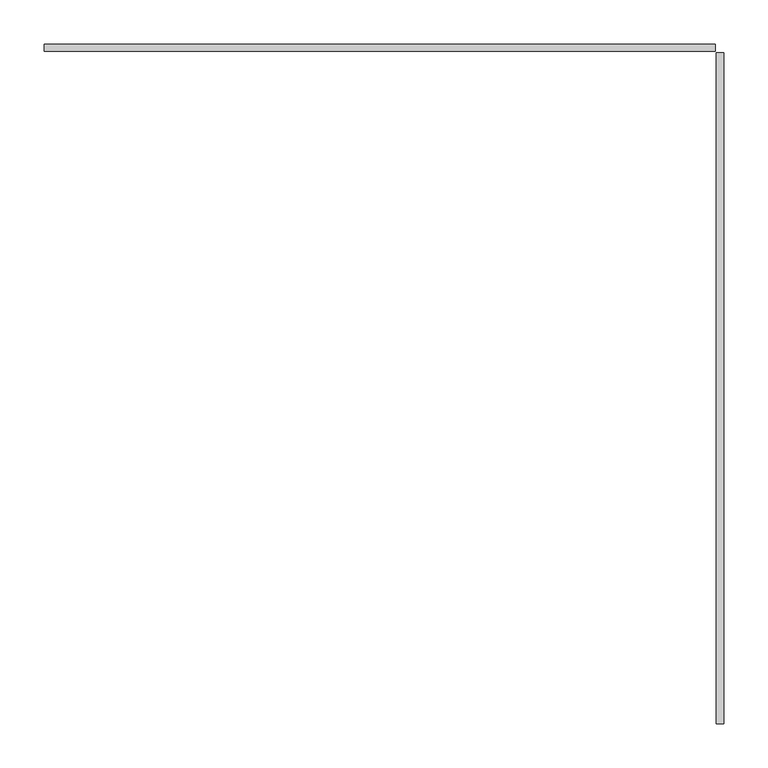
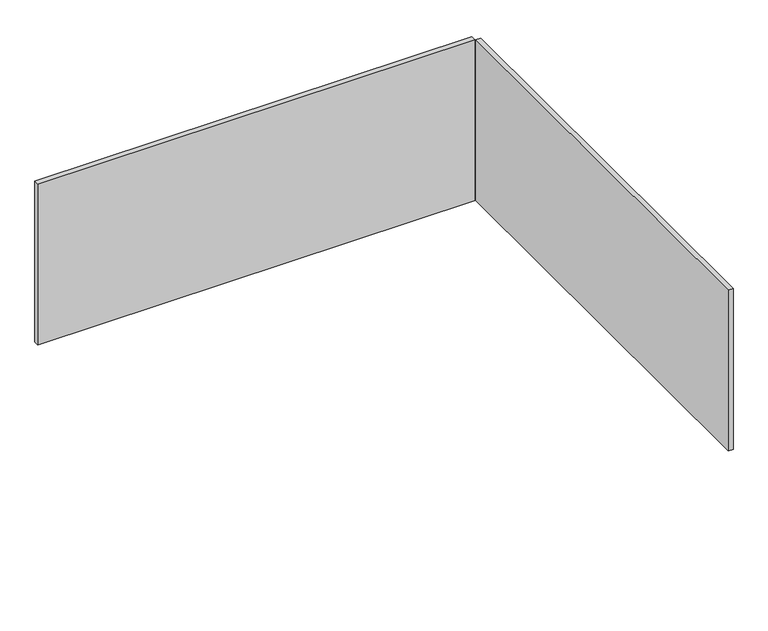
"""IFC4 building model written with IfcOpenShell, lengths in millimetres: furniture geometry."""

import ifcopenshell
import ifcopenshell.guid

model = None  # the IFC model being written
_history = None  # IfcOwnerHistory: only IFC2X3 demands one
_inside = {}  # id of a spatial element -> (the spatial element, [elements in it])
_under = {}  # id of a project, library or spatial element -> (it, [spatial elements below it])
_declared = {}  # id of a project -> (the project, [libraries it declares])
_typed = {}  # id of a type object -> (the type object, [elements of that type])
_made_of = {}  # id of a material, layer set ... -> (it, [elements and type objects made of it])


def new_model(schema):
    """Start an empty IFC model of exactly this schema.

    Asked for "IFC4X3", IfcOpenShell would pick the latest addendum, in which some entities
    have other attributes; the version numbers below select the first issue.
    IFC2X3 requires an IfcOwnerHistory on every rooted entity: one is made here for all.
    """
    global model, _history
    if schema == "IFC4X3":
        model = ifcopenshell.file(schema_version=(4, 3, 0, 0))
    else:
        model = ifcopenshell.file(schema=schema)
    _inside.clear()
    _under.clear()
    _declared.clear()
    _typed.clear()
    _made_of.clear()
    _history = None
    if model.schema == "IFC2X3":
        org = make("IfcOrganization", Name="unknown")
        user = make(
            "IfcPersonAndOrganization",
            ThePerson=make("IfcPerson", FamilyName="unknown"),
            TheOrganization=org,
        )
        app = make(
            "IfcApplication",
            ApplicationDeveloper=org,
            Version="unknown",
            ApplicationFullName="unknown",
            ApplicationIdentifier="unknown",
        )
        _history = make(
            "IfcOwnerHistory",
            OwningUser=user,
            OwningApplication=app,
            ChangeAction="ADDED",
            CreationDate=0,
        )
    return model


def make(cls, **values):
    """One entity of the class cls with the attributes given. An attribute that is None is left unset."""
    return model.create_entity(
        cls, **{name: value for name, value in values.items() if value is not None}
    )


def rooted(cls, **values):
    """An entity with a GlobalId (a new one), such as an element, a storey or a relation."""
    return make(cls, GlobalId=ifcopenshell.guid.new(), OwnerHistory=_history, **values)


def si_unit(unit_type, name, prefix=None):
    """IfcSIUnit, for example si_unit("LENGTHUNIT", "METRE", prefix="MILLI")."""
    return make("IfcSIUnit", UnitType=unit_type, Prefix=prefix, Name=name)


def assignment(units):
    """IfcUnitAssignment: the units of a project."""
    return None if units is None else make("IfcUnitAssignment", Units=units)


def point(xyz):
    """IfcCartesianPoint."""
    return None if xyz is None else make("IfcCartesianPoint", Coordinates=xyz)


def direction(xyz):
    """IfcDirection."""
    return None if xyz is None else make("IfcDirection", DirectionRatios=xyz)


def frame(location, z_axis=None, x_axis=None):
    """IfcAxis2Placement3D, a coordinate frame: its origin and axes. An axis left out is left unset."""
    return make(
        "IfcAxis2Placement3D",
        Location=point(location),
        Axis=direction(z_axis),
        RefDirection=direction(x_axis),
    )


def origin():
    """The frame at (0, 0, 0) with its axes left unset."""
    return frame((0.0, 0.0, 0.0))


def place(relative_to, where):
    """IfcLocalPlacement: puts the frame where relative to a parent placement (None: the world)."""
    return make(
        "IfcLocalPlacement", PlacementRelTo=relative_to, RelativePlacement=where
    )


def context(
    kind, dimensions, precision=None, world=None, true_north=None, identifier=None
):
    """IfcGeometricRepresentationContext, for example the 3D "Model" context."""
    return make(
        "IfcGeometricRepresentationContext",
        ContextIdentifier=identifier,
        ContextType=kind,
        CoordinateSpaceDimension=dimensions,
        Precision=precision,
        WorldCoordinateSystem=world,
        TrueNorth=true_north,
    )


def project(units=None, contexts=None):
    """IfcProject with its units and contexts."""
    return rooted(
        "IfcProject",
        Name="project",
        RepresentationContexts=contexts,
        UnitsInContext=assignment(units),
    )


def spatial(cls, under=None, at=None, **own):
    """A site, building, storey or space (cls), placed at a placement, below another one or the project."""
    s = rooted(cls, ObjectPlacement=at, **own)
    if under is not None:
        _under.setdefault(under.id(), (under, []))[1].append(s)
    return s


def polyline(points):
    """IfcPolyline through the points."""
    return make("IfcPolyline", Points=[point(p) for p in points])


def outline(outer, holes=None, kind="AREA"):
    """IfcArbitraryClosedProfileDef: a profile drawn as a closed curve; with holes, ...WithVoids."""
    if holes is None:
        return make("IfcArbitraryClosedProfileDef", ProfileType=kind, OuterCurve=outer)
    return make(
        "IfcArbitraryProfileDefWithVoids",
        ProfileType=kind,
        OuterCurve=outer,
        InnerCurves=holes,
    )


def extrude(swept, where, along, depth):
    """IfcExtrudedAreaSolid: the profile swept, set in the frame where, extruded along a direction by depth."""
    return make(
        "IfcExtrudedAreaSolid",
        SweptArea=swept,
        Position=where,
        ExtrudedDirection=direction(along),
        Depth=depth,
    )


def shape(context_of_items, identifier, shape_type, items):
    """IfcShapeRepresentation: the items that make up one representation, for example the "Body"."""
    return make(
        "IfcShapeRepresentation",
        ContextOfItems=context_of_items,
        RepresentationIdentifier=identifier,
        RepresentationType=shape_type,
        Items=items,
    )


def source(mapping_origin, context_of_items, identifier, shape_type, items):
    """IfcRepresentationMap: a shape defined once, which mapped items show again and again."""
    return make(
        "IfcRepresentationMap",
        MappingOrigin=mapping_origin,
        MappedRepresentation=shape(context_of_items, identifier, shape_type, items),
    )


def transform(
    local_origin,
    x_axis=None,
    y_axis=None,
    z_axis=None,
    scale=None,
    scale2=None,
    scale3=None,
    uniform=True,
):
    """IfcCartesianTransformationOperator3D, or its non-uniform kind. x_axis, y_axis, z_axis: its Axis1, 2, 3."""
    if uniform:
        return make(
            "IfcCartesianTransformationOperator3D",
            Axis1=direction(x_axis),
            Axis2=direction(y_axis),
            LocalOrigin=point(local_origin),
            Scale=scale,
            Axis3=direction(z_axis),
        )
    return make(
        "IfcCartesianTransformationOperator3DnonUniform",
        Axis1=direction(x_axis),
        Axis2=direction(y_axis),
        LocalOrigin=point(local_origin),
        Scale=scale,
        Axis3=direction(z_axis),
        Scale2=scale2,
        Scale3=scale3,
    )


def mapped(mapping_source, mapping_target):
    """IfcMappedItem: shows the shape of a source again, moved by a transform."""
    return make(
        "IfcMappedItem", MappingSource=mapping_source, MappingTarget=mapping_target
    )


def made_of(thing, what):
    """Note that an element or type object is made of a material, layer set ...; save() writes the relation."""
    if what is not None:
        _made_of.setdefault(what.id(), (what, []))[1].append(thing)
    return thing


def element(
    cls,
    number,
    at=None,
    inside=None,
    cuts=None,
    type_object=None,
    material=None,
    context=None,
    identifier="Body",
    shape_type=None,
    held_by="IfcProductDefinitionShape",
    body=None,
    shapes=None,
    **own,
):
    """One element of the class cls, such as IfcWall. Its Tag is "e" and its number.

    at: its placement. inside: the storey or other place that contains it. cuts: it is an
    opening in that element (IfcRelVoidsElement). A single representation is given by context,
    identifier, shape_type and body (its items); several are given by shapes. held_by: the class
    of the entity that holds the representations. save() writes the other relations.
    """
    e = rooted(cls, Tag="e%d" % number, ObjectPlacement=at, **own)
    if body is not None:
        shapes = [shape(context, identifier, shape_type, body)]
    if shapes is not None:
        e.Representation = make(held_by, Representations=shapes)
    if inside is not None:
        _inside.setdefault(inside.id(), (inside, []))[1].append(e)
    if cuts is not None:
        rooted(
            "IfcRelVoidsElement", RelatingBuildingElement=cuts, RelatedOpeningElement=e
        )
    if type_object is not None:
        _typed.setdefault(type_object.id(), (type_object, []))[1].append(e)
    return made_of(e, material)


def aggregate(whole, parts):
    """IfcRelAggregates: a whole, such as a stair, and the parts it consists of."""
    return rooted("IfcRelAggregates", RelatingObject=whole, RelatedObjects=parts)


def save(model, path):
    """Write the relations noted so far, then the file.

    IfcRelAggregates (storeys below a building ...), IfcRelContainedInSpatialStructure (elements
    in a storey), IfcRelDefinesByType, IfcRelAssociatesMaterial and IfcRelDeclares: one each for
    every whole, place, type object, material and project.
    """
    for whole, parts in _under.values():
        aggregate(whole, parts)
    for where, things in _inside.values():
        rooted(
            "IfcRelContainedInSpatialStructure",
            RelatedElements=things,
            RelatingStructure=where,
        )
    for kind, things in _typed.values():
        rooted("IfcRelDefinesByType", RelatedObjects=things, RelatingType=kind)
    for what, things in _made_of.values():
        rooted("IfcRelAssociatesMaterial", RelatedObjects=things, RelatingMaterial=what)
    for by, libraries in _declared.values():
        rooted("IfcRelDeclares", RelatingContext=by, RelatedDefinitions=libraries)
    model.write(path)


def furniture_83181c3a(model_context):
    return source(origin(), model_context, "Body", "SweptSolid", [
        extrude(outline(polyline([(1.2446043, -52.8640062), (763.9304054, -52.8640062), (763.9304054, -61.3730026), (1.2446043, -61.3730026), (1.2446043, -52.8640062)])), frame((0.0, 0.0, 744.3779652), z_axis=(0.0, 0.0, 1.0), x_axis=(1.0, 0.0, 0.0)), (0.0, 0.0, 1.0), 297.0200243),
        extrude(outline(polyline([(765.3024147, -62.7448892), (773.8114157, -62.7448892), (773.8114157, -825.4307213), (765.3024147, -825.4307213), (765.3024147, -62.7448892)])), frame((0.0, 0.0, 744.3779652), z_axis=(0.0, 0.0, 1.0), x_axis=(1.0, 0.0, 0.0)), (0.0, 0.0, 1.0), 297.0200243),
    ])


if __name__ == "__main__":
    model = new_model("IFC4")
    model_context = context("Model", 3, world=origin())
    ifc_project = project(units=[si_unit("LENGTHUNIT", "METRE", prefix="MILLI")], contexts=[model_context])
    site = spatial("IfcSite", under=ifc_project)
    building = spatial("IfcBuilding", under=site)
    placement = place(None, origin())
    furniture_shape = furniture_83181c3a(model_context)
    element("IfcFurniture", 1, at=placement, inside=building, context=model_context, shape_type="MappedRepresentation", body=[
        mapped(furniture_shape, transform((0.0, 0.0, 0.0), x_axis=(1.0, 0.0, 0.0), y_axis=(0.0, 1.0, 0.0), z_axis=(0.0, 0.0, 1.0))),
    ])
    save(model, "model.ifc")
